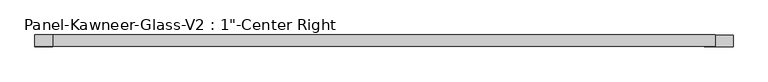
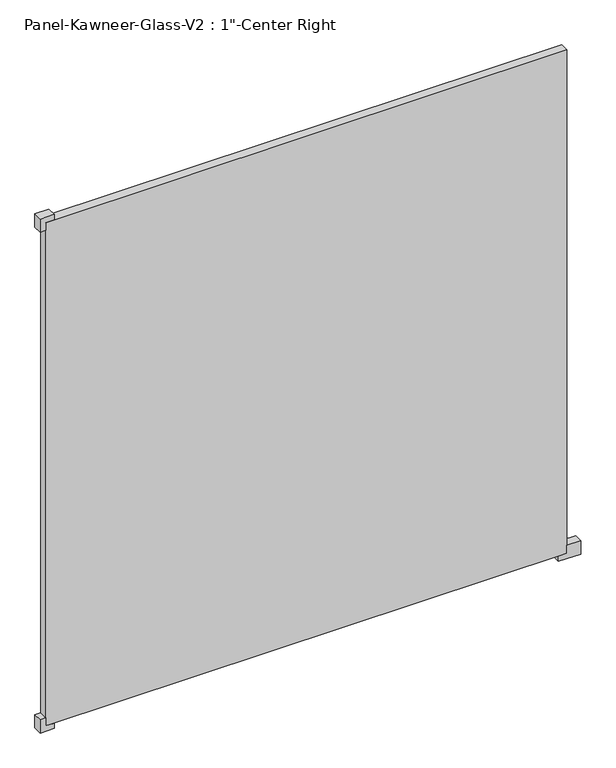
"""IFC4 building model written with IfcOpenShell, lengths in millimetres: plate geometry."""

from ifc_helpers import new_model, si_unit, frame, origin, origin_with_axes, place, context, project, spatial, polyline, outline, extrude, source, transform, mapped, element, save


def plate_f420c981(model_context):
    return source(origin(), model_context, "Body", "SweptSolid", [
        extrude(outline(polyline([(-15.875, 714.375), (-15.875, 777.875), (23.8125, 777.875), (23.8125, 738.1875), (0.0, 738.1875), (0.0, 714.375), (-15.875, 714.375)])), frame((0.0, -12.7327949, 0.0), z_axis=(0.0, 1.0, 0.0), x_axis=(0.0, 0.0, 1.0)), (0.0, 0.0, 1.0), 25.4),
        extrude(outline(polyline([(-15.875, -714.375), (0.0, -714.375), (0.0, -738.1875), (23.8125, -738.1875), (23.8125, -754.0625), (-15.875, -754.0625), (-15.875, -714.375)])), frame((0.0, -12.7327949, 0.0), z_axis=(0.0, 1.0, 0.0), x_axis=(0.0, 0.0, 1.0)), (0.0, 0.0, 1.0), 25.4),
        extrude(outline(polyline([(1524.0, -714.375), (1524.0, -754.0625), (1484.3125, -754.0625), (1484.3125, -738.1875), (1508.125, -738.1875), (1508.125, -714.375), (1524.0, -714.375)])), frame((0.0, -12.7327949, 0.0), z_axis=(0.0, 1.0, 0.0), x_axis=(0.0, 0.0, 1.0)), (0.0, 0.0, 1.0), 25.4),
        extrude(outline(polyline([(738.1875, 12.6672051), (738.1875, -12.7327949), (-738.1875, -12.7327949), (-738.1875, 12.6672051), (738.1875, 12.6672051)])), origin_with_axes(), (0.0, 0.0, 1.0), 1508.125),
    ])


if __name__ == "__main__":
    model = new_model("IFC4")
    model_context = context("Model", 3, world=origin())
    ifc_project = project(units=[si_unit("LENGTHUNIT", "METRE", prefix="MILLI")], contexts=[model_context])
    site = spatial("IfcSite", under=ifc_project)
    building = spatial("IfcBuilding", under=site)
    placement = place(None, origin())
    plate_shape = plate_f420c981(model_context)
    element("IfcPlate", 1, ObjectType="Panel-Kawneer-Glass-V2 : 1\"-Center Right", at=placement, inside=building, context=model_context, shape_type="MappedRepresentation", body=[
        mapped(plate_shape, transform((0.0, 0.0, 0.0), x_axis=(1.0, 0.0, 0.0), y_axis=(0.0, 1.0, 0.0), z_axis=(0.0, 0.0, 1.0))),
    ])
    save(model, "model.ifc")
